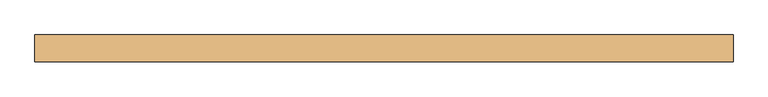
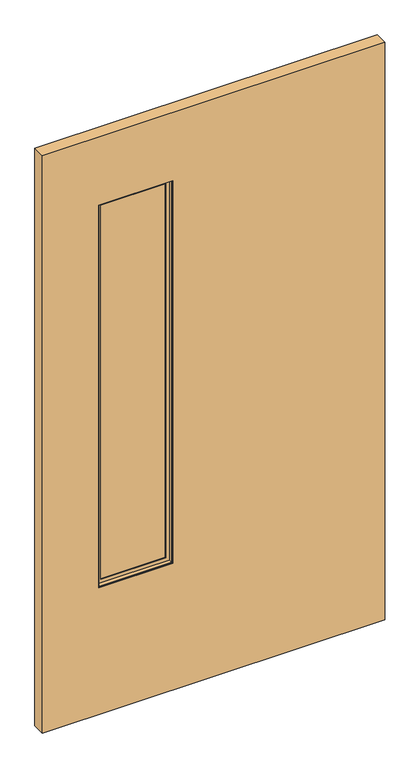
"""IFC4 building model written with IfcOpenShell, lengths in millimetres: door geometry."""

from ifc_helpers import new_model, si_unit, frame, origin, place, context, project, spatial, polyline, outline, extrude, faceted_brep, source, transform, mapped, element, save


def door_ae8d05c7(model_context):
    return source(origin(), model_context, "Body", "SolidModel", [
        extrude(outline(polyline([(-143.7464326, -3.175), (-405.3664326, -3.175), (-405.3664326, 3.175), (-143.7464326, 3.175), (-143.7464326, -3.175)])), frame((0.0, 0.0, 486.1435027), z_axis=(0.0, 0.0, 1.0), x_axis=(1.0, 0.0, 0.0)), (0.0, 0.0, 1.0), 1430.02),
        faceted_brep([(-389.4758536, 3.797467, 1900.2729238), (-389.4758536, 3.797467, 502.0340817), (-389.4758536, 6.9755828, 502.0340817), (-389.4758536, 6.9755828, 1900.2729238), (-159.6370115, 3.797467, 502.0340817), (-159.6370115, 6.9755828, 502.0340817), (-146.9245484, 6.9755828, 489.3216185), (-402.1883168, 6.9755828, 489.3216185), (-402.1883168, 6.9755828, 1912.9853869), (-146.9245484, 6.9755828, 1912.9853869), (-159.6370115, 6.9755828, 1900.2729238), (-159.6370115, 3.797467, 1900.2729238), (-405.3664326, 3.797467, 486.1435027), (-143.7464326, 3.797467, 486.1435027), (-143.7464326, 3.797467, 1916.1635027), (-405.3664326, 3.797467, 1916.1635027), (-405.3664326, 19.688046, 1916.1635027), (-405.3664326, 19.688046, 486.1435027), (-143.7464326, 19.688046, 486.1435027), (-143.7464326, 19.688046, 1916.1635027), (-402.1883168, 19.688046, 489.3216185), (-146.9245484, 19.688046, 489.3216185), (-146.9245484, 19.688046, 1912.9853869), (-402.1883168, 19.688046, 1912.9853869)], [[[0, 1, 2, 3]], [[1, 4, 5, 2]], [[6, 7, 8, 9], [2, 5, 10, 3]], [[4, 11, 10, 5]], [[12, 13, 14, 15], [4, 1, 0, 11]], [[16, 17, 12, 15]], [[17, 18, 13, 12]], [[18, 19, 14, 13]], [[18, 17, 16, 19], [20, 21, 22, 23]], [[8, 7, 20, 23]], [[7, 6, 21, 20]], [[6, 9, 22, 21]], [[11, 0, 3, 10]], [[19, 16, 15, 14]], [[9, 8, 23, 22]]]),
        faceted_brep([(-402.1883168, -19.688046, 1912.9853869), (-402.1883168, -19.688046, 489.3216185), (-402.1883168, -6.9755828, 489.3216185), (-402.1883168, -6.9755828, 1912.9853869), (-146.9245484, -19.688046, 489.3216185), (-146.9245484, -6.9755828, 489.3216185), (-146.9245484, -6.9755828, 1912.9853869), (-159.6370115, -6.9755828, 502.0340817), (-389.4758536, -6.9755828, 502.0340817), (-389.4758536, -6.9755828, 1900.2729238), (-159.6370115, -6.9755828, 1900.2729238), (-146.9245484, -19.688046, 1912.9853869), (-405.3664326, -19.688046, 486.1435027), (-143.7464326, -19.688046, 486.1435027), (-143.7464326, -19.688046, 1916.1635027), (-405.3664326, -19.688046, 1916.1635027), (-405.3664326, -3.797467, 1916.1635027), (-405.3664326, -3.797467, 486.1435027), (-143.7464326, -3.797467, 486.1435027), (-143.7464326, -3.797467, 1916.1635027), (-389.4758536, -3.797467, 502.0340817), (-159.6370115, -3.797467, 502.0340817), (-159.6370115, -3.797467, 1900.2729238), (-389.4758536, -3.797467, 1900.2729238)], [[[0, 1, 2, 3]], [[1, 4, 5, 2]], [[2, 5, 6, 3], [7, 8, 9, 10]], [[4, 11, 6, 5]], [[12, 13, 14, 15], [4, 1, 0, 11]], [[16, 17, 12, 15]], [[17, 18, 13, 12]], [[18, 19, 14, 13]], [[18, 17, 16, 19], [20, 21, 22, 23]], [[9, 8, 20, 23]], [[8, 7, 21, 20]], [[7, 10, 22, 21]], [[11, 0, 3, 6]], [[19, 16, 15, 14]], [[10, 9, 23, 22]]]),
        extrude(outline(polyline([(2170.1635027, -604.7564326), (12.7, -604.7564326), (12.7, 604.7564326), (2170.1635027, 604.7564326), (2170.1635027, -604.7564326)]), holes=[polyline([(1916.1635027, -143.7464326), (486.1435027, -143.7464326), (486.1435027, -405.3664326), (1916.1635027, -405.3664326), (1916.1635027, -143.7464326)])]), frame((0.0, -23.114, 0.0), z_axis=(0.0, 1.0, 0.0), x_axis=(0.0, 0.0, 1.0)), (0.0, 0.0, 1.0), 46.228),
        extrude(outline(polyline([(579.3564326, 9.8925062), (-579.3564326, 9.8925062), (-579.3564326, 11.4927062), (579.3564326, 11.4927062), (579.3564326, 9.8925062)])), frame((0.0, 0.0, 12.7), z_axis=(0.0, 0.0, 1.0), x_axis=(1.0, 0.0, 0.0)), (0.0, 0.0, 1.0), 254.0),
        extrude(outline(polyline([(579.3564326, 21.5634094), (-579.3564326, 21.5634094), (-579.3564326, 23.114), (579.3564326, 23.114), (579.3564326, 21.5634094)])), frame((0.0, 0.0, 12.7), z_axis=(0.0, 0.0, 1.0), x_axis=(1.0, 0.0, 0.0)), (0.0, 0.0, 1.0), 254.0),
    ])


if __name__ == "__main__":
    model = new_model("IFC4")
    model_context = context("Model", 3, world=origin())
    ifc_project = project(units=[si_unit("LENGTHUNIT", "METRE", prefix="MILLI")], contexts=[model_context])
    site = spatial("IfcSite", under=ifc_project)
    building = spatial("IfcBuilding", under=site)
    placement = place(None, origin())
    door_shape = door_ae8d05c7(model_context)
    element("IfcDoor", 1, at=placement, inside=building, context=model_context, shape_type="MappedRepresentation", body=[
        mapped(door_shape, transform((0.0, 0.0, 0.0), x_axis=(1.0, 0.0, 0.0), y_axis=(0.0, 1.0, 0.0), z_axis=(0.0, 0.0, 1.0))),
    ])
    save(model, "model.ifc")
